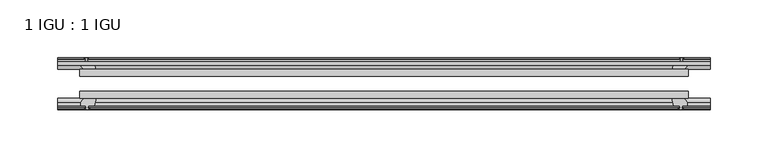
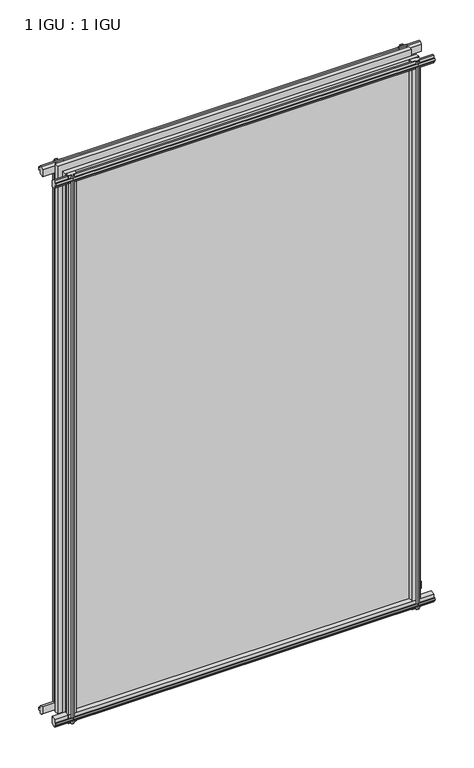
"""IFC4 building model written with IfcOpenShell, lengths in millimetres: plate geometry, 1 IGU : 1 IGU."""

from ifc_helpers import new_model, si_unit, frame, origin, place, context, project, spatial, polyline, outline, extrude, source, transform, mapped, element, save


def plate_1_igu_1_igu_cefb8747(model_context):
    return source(origin(), model_context, "Body", "SweptSolid", [
        extrude(outline(polyline([(-263.5317469, -38.6468937), (263.5317469, -38.6468937), (263.5317469, -44.9460938), (-263.5317469, -44.9460938), (-263.5317469, -38.6468937)])), frame((0.0, 0.0, -12.7), z_axis=(0.0, 0.0, 1.0), x_axis=(1.0, 0.0, 0.0)), (0.0, 0.0, 1.0), 863.5999996),
        extrude(outline(polyline([(-263.5317469, -19.5460937), (263.5317469, -19.5460937), (263.5317469, -25.8960938), (-263.5317469, -25.8960938), (-263.5317469, -19.5460937)])), frame((0.0, 0.0, -12.7), z_axis=(0.0, 0.0, 1.0), x_axis=(1.0, 0.0, 0.0)), (0.0, 0.0, 1.0), 863.5999996),
        extrude(outline(polyline([(-44.9460937, 1.7177181), (-44.9460937, -9.1036578), (-48.3496937, -11.938), (-51.2960937, -11.938), (-51.2960937, -7.493), (-53.6762907, -7.112), (-53.2163575, -8.5275291), (-54.0175717, -8.5275291), (-54.7250937, -6.35), (-54.0175717, -4.1724709), (-53.2163575, -4.1724709), (-53.6762907, -5.588), (-51.2960937, -5.207), (-51.2960937, 0.0), (-44.9460937, 1.7177181)])), frame((-282.5817469, 0.0, 0.0), z_axis=(1.0, 0.0, 0.0), x_axis=(0.0, 1.0, 0.0)), (0.0, 0.0, 1.0), 565.1634937),
        extrude(outline(polyline([(-13.1960937, -12.4587), (-16.1424937, -12.4587), (-19.5460937, -9.6243578), (-19.5460937, 1.1970181), (-13.1960937, -0.5207), (-13.1960937, -5.7277), (-10.8158968, -6.1087), (-11.27583, -4.6931709), (-10.4746158, -4.6931709), (-9.7670937, -6.8707), (-10.4746158, -9.0482291), (-11.27583, -9.0482291), (-10.8158968, -7.6327), (-13.1960937, -8.0137), (-13.1960937, -12.4587)])), frame((-282.5817469, 0.0, 0.0), z_axis=(1.0, 0.0, 0.0), x_axis=(0.0, 1.0, 0.0)), (0.0, 0.0, 1.0), 565.1634937),
        extrude(outline(polyline([(-51.2960937, 850.1379996), (-48.3496937, 850.1379996), (-44.9460937, 847.3036575), (-44.9460937, 836.4822816), (-51.2960937, 838.1999996), (-51.2960937, 843.4069996), (-53.6762907, 843.7879996), (-53.2163575, 842.3724706), (-54.0175717, 842.3724706), (-54.7250937, 844.5499996), (-54.0175717, 846.7275287), (-53.2163575, 846.7275287), (-53.6762907, 845.3119996), (-51.2960937, 845.6929996), (-51.2960937, 850.1379996)])), frame((-282.5817469, 0.0, 0.0), z_axis=(1.0, 0.0, 0.0), x_axis=(0.0, 1.0, 0.0)), (0.0, 0.0, 1.0), 565.1634937),
        extrude(outline(polyline([(-19.5460937, 837.0029816), (-19.5460937, 847.8243575), (-16.1424937, 850.6586996), (-13.1960937, 850.6586996), (-13.1960937, 846.2136996), (-10.8158968, 845.8326996), (-11.27583, 847.2482287), (-10.4746158, 847.2482287), (-9.7670937, 845.0706996), (-10.4746158, 842.8931706), (-11.27583, 842.8931706), (-10.8158968, 844.3086996), (-13.1960937, 843.9276996), (-13.1960937, 838.7206996), (-19.5460937, 837.0029816)])), frame((-282.5817469, 0.0, 0.0), z_axis=(1.0, 0.0, 0.0), x_axis=(0.0, 1.0, 0.0)), (0.0, 0.0, 1.0), 565.1634937),
        extrude(outline(polyline([(249.6347288, -19.5460938), (251.3524469, -13.1960938), (256.5594469, -13.1960938), (256.9404469, -10.8158968), (255.5249178, -11.27583), (255.5249178, -10.4746158), (257.7024469, -9.7670938), (259.8799759, -10.4746158), (259.8799759, -11.27583), (258.4644469, -10.8158968), (258.8454469, -13.1960938), (263.2904469, -13.1960938), (263.2904469, -16.1424938), (260.4561047, -19.5460938), (249.6347288, -19.5460938)])), frame((0.0, 0.0, -12.7), z_axis=(0.0, 0.0, 1.0), x_axis=(1.0, 0.0, 0.0)), (0.0, 0.0, 1.0), 863.5999998),
        extrude(outline(polyline([(249.1140288, -44.9460938), (259.9354047, -44.9460938), (262.7697469, -48.3496938), (262.7697469, -51.2960938), (258.3247469, -51.2960938), (257.9437469, -53.6762907), (259.3592759, -53.2163575), (259.3592759, -54.0175717), (257.1817469, -54.7250938), (255.0042178, -54.0175717), (255.0042178, -53.2163575), (256.4197469, -53.6762907), (256.0387469, -51.2960938), (250.8317469, -51.2960938), (249.1140288, -44.9460938)])), frame((0.0, 0.0, -12.7), z_axis=(0.0, 0.0, 1.0), x_axis=(1.0, 0.0, 0.0)), (0.0, 0.0, 1.0), 863.5999998),
        extrude(outline(polyline([(-257.7024469, -9.7670937), (-255.5249178, -10.4746158), (-255.5249178, -11.27583), (-256.9404469, -10.8158968), (-256.5594469, -13.1960937), (-251.3524469, -13.1960937), (-249.6347288, -19.5460937), (-260.4561047, -19.5460937), (-263.2904469, -16.1424937), (-263.2904469, -13.1960937), (-258.8454469, -13.1960937), (-258.4644469, -10.8158968), (-259.8799759, -11.27583), (-259.8799759, -10.4746158), (-257.7024469, -9.7670937)])), frame((0.0, 0.0, -12.7), z_axis=(0.0, 0.0, 1.0), x_axis=(1.0, 0.0, 0.0)), (0.0, 0.0, 1.0), 863.5999998),
        extrude(outline(polyline([(-262.7697469, -48.3496937), (-259.9354047, -44.9460937), (-249.1140288, -44.9460937), (-250.8317469, -51.2960937), (-256.0387469, -51.2960937), (-256.4197469, -53.6762907), (-255.0042178, -53.2163575), (-255.0042178, -54.0175717), (-257.1817469, -54.7250937), (-259.3592759, -54.0175717), (-259.3592759, -53.2163575), (-257.9437469, -53.6762907), (-258.3247469, -51.2960937), (-262.7697469, -51.2960937), (-262.7697469, -48.3496937)])), frame((0.0, 0.0, -12.7), z_axis=(0.0, 0.0, 1.0), x_axis=(1.0, 0.0, 0.0)), (0.0, 0.0, 1.0), 863.5999998),
    ])


if __name__ == "__main__":
    model = new_model("IFC4")
    model_context = context("Model", 3, world=origin())
    ifc_project = project(units=[si_unit("LENGTHUNIT", "METRE", prefix="MILLI")], contexts=[model_context])
    site = spatial("IfcSite", under=ifc_project)
    building = spatial("IfcBuilding", under=site)
    placement = place(None, origin())
    plate_1_igu_1_igu_shape = plate_1_igu_1_igu_cefb8747(model_context)
    element("IfcPlate", 1, ObjectType="1 IGU : 1 IGU", at=placement, inside=building, context=model_context, shape_type="MappedRepresentation", body=[
        mapped(plate_1_igu_1_igu_shape, transform((0.0, 0.0, 0.0), x_axis=(1.0, 0.0, 0.0), y_axis=(0.0, 1.0, 0.0), z_axis=(0.0, 0.0, 1.0))),
    ])
    save(model, "model.ifc")
